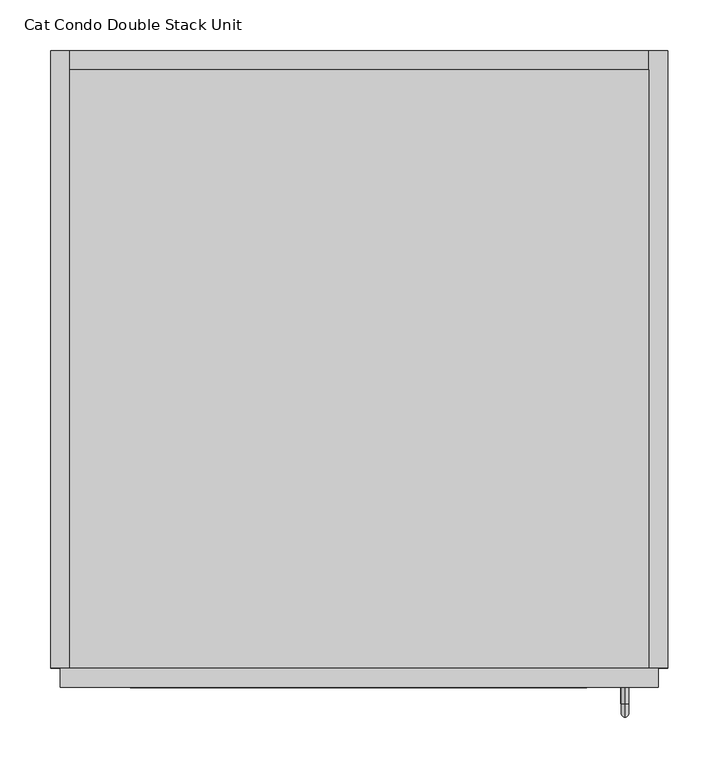
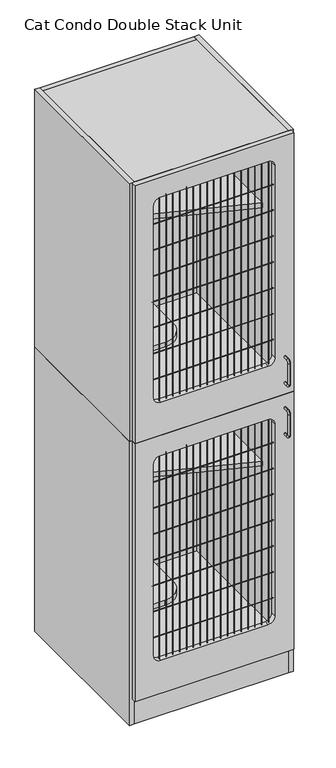
"""IFC4 building model written with IfcOpenShell, lengths in millimetres: proxy geometry, Cat Condo Double Stack Unit."""

from ifc_helpers import new_model, si_unit, point, frame, frame_2d, origin, origin_with_axes, place, context, project, spatial, polyline, circle_curve, ellipse_curve, trimmed, segment, composite_curve, outline, extrude, source, transform, mapped, element, save
from ifc_brep_helpers import plane_surface, cylinder_surface, revolved_surface, advanced_brep


def cat_condo_double_stack_unit_1d47b966(model_context):
    return source(origin(), model_context, "Body", "SolidModel", [
        advanced_brep(
        [(567.1128423, -19.05, 1056.5243154), (567.1128423, -19.05, 1064.3756846), (567.1128423, -35.2117768, 1064.3756846), (567.1128423, -35.2117768, 1056.5243154), (567.1128423, -35.2117768, 962.7756846), (567.1128423, -35.2117768, 954.9243154), (567.1128423, -19.05, 954.9243154), (567.1128423, -19.05, 962.7756846), (567.1128423, -48.3756846, 1051.2117768), (567.1128423, -40.5243154, 1051.2117768), (567.1128423, -40.5243154, 968.0882232), (567.1128423, -48.3756846, 968.0882232)],
        [
            (0, 1, circle_curve(frame((567.1128423, -19.05, 1060.45), z_axis=(0.0, 1.0, 0.0), x_axis=(0.0, 0.0, 1.0)), 3.9256846)),
            (1, 0, circle_curve(frame((567.1128423, -19.05, 1060.45), z_axis=(0.0, 1.0, 0.0), x_axis=(0.0, 0.0, 1.0)), 3.9256846)),
            (1, 2),
            (2, 3, circle_curve(frame((567.1128423, -35.2117768, 1060.45), z_axis=(0.0, 1.0, 0.0), x_axis=(0.0, 0.0, 1.0)), 3.9256846)),
            (3, 0),
            (4, 5, circle_curve(frame((567.1128423, -35.2117768, 958.85), z_axis=(0.0, 1.0, 0.0), x_axis=(0.0, 0.0, -1.0)), 3.9256846)),
            (5, 6),
            (6, 7, circle_curve(frame((567.1128423, -19.05, 958.85), z_axis=(0.0, -1.0, 0.0), x_axis=(0.0, 0.0, -1.0)), 3.9256846)),
            (7, 4),
            (3, 2, circle_curve(frame((567.1128423, -35.2117768, 1060.45), z_axis=(0.0, 1.0, 0.0), x_axis=(0.0, 0.0, 1.0)), 3.9256846)),
            (8, 2, circle_curve(frame((567.1128423, -35.2117768, 1051.2117768), z_axis=(-1.0, 0.0, 0.0), x_axis=(0.0, 0.0, 1.0)), 13.1639078)),
            (3, 9, circle_curve(frame((567.1128423, -35.2117768, 1051.2117768), z_axis=(1.0, 0.0, 0.0), x_axis=(0.0, 0.0, 1.0)), 5.3125387)),
            (9, 8, circle_curve(frame((567.1128423, -44.45, 1051.2117768), z_axis=(0.0, 0.0, 1.0), x_axis=(0.0, -1.0, 0.0)), 3.9256846)),
            (8, 9, circle_curve(frame((567.1128423, -44.45, 1051.2117768), z_axis=(0.0, 0.0, 1.0), x_axis=(0.0, -1.0, 0.0)), 3.9256846)),
            (9, 10),
            (10, 11, circle_curve(frame((567.1128423, -44.45, 968.0882232), z_axis=(0.0, 0.0, 1.0), x_axis=(0.0, -1.0, 0.0)), 3.9256846)),
            (11, 8),
            (11, 10, circle_curve(frame((567.1128423, -44.45, 968.0882232), z_axis=(0.0, 0.0, 1.0), x_axis=(0.0, -1.0, 0.0)), 3.9256846)),
            (5, 11, circle_curve(frame((567.1128423, -35.2117768, 968.0882232), z_axis=(-1.0, 0.0, 0.0), x_axis=(0.0, -1.0, 0.0)), 13.1639078)),
            (10, 4, circle_curve(frame((567.1128423, -35.2117768, 968.0882232), z_axis=(1.0, 0.0, 0.0), x_axis=(0.0, -1.0, 0.0)), 5.3125387)),
            (4, 5, circle_curve(frame((567.1128423, -35.2117768, 958.85), z_axis=(0.0, -1.0, 0.0), x_axis=(0.0, 0.0, -1.0)), 3.9256846)),
            (6, 7, circle_curve(frame((567.1128423, -19.05, 958.85), z_axis=(0.0, 1.0, 0.0), x_axis=(0.0, 0.0, -1.0)), 3.9256846)),
        ],
        [
            plane_surface(frame((567.1128423, -19.05, 1060.45), z_axis=(0.0, 1.0, 0.0), x_axis=(1.0, 0.0, 0.0))),
            cylinder_surface(frame((567.1128423, -19.05, 1060.45), z_axis=(0.0, 1.0, 0.0), x_axis=(0.0, 0.0, 1.0)), 3.9256846),
            cylinder_surface(frame((567.1128423, -35.2117768, 958.85), z_axis=(0.0, -1.0, 0.0), x_axis=(0.0, 0.0, -1.0)), 3.9256846),
            revolved_surface(trimmed(ellipse_curve(frame((567.1128423, -35.2117768, 1060.45), z_axis=(0.0, 1.0, 0.0), x_axis=(0.0, 0.0, 1.0)), 3.9256846, 3.9256846), [point((567.1128423, -35.2117768, 1056.5243154))], [point((567.1128423, -35.2117768, 1064.3756846))], True, "CARTESIAN"), (567.1128423, -35.2117768, 1051.2117768), (1.0, 0.0, 0.0)),
            revolved_surface(trimmed(ellipse_curve(frame((567.1128423, -35.2117768, 1060.45), z_axis=(0.0, 1.0, 0.0), x_axis=(0.0, 0.0, 1.0)), 3.9256846, 3.9256846), [point((567.1128423, -35.2117768, 1064.3756846))], [point((567.1128423, -35.2117768, 1056.5243154))], True, "CARTESIAN"), (567.1128423, -35.2117768, 1051.2117768), (1.0, 0.0, 0.0)),
            cylinder_surface(frame((567.1128423, -44.45, 1051.2117768), z_axis=(0.0, 0.0, 1.0), x_axis=(0.0, -1.0, 0.0)), 3.9256846),
            revolved_surface(trimmed(ellipse_curve(frame((567.1128423, -44.45, 968.0882232), z_axis=(0.0, 0.0, 1.0), x_axis=(0.0, -1.0, 0.0)), 3.9256846, 3.9256846), [point((567.1128423, -40.5243154, 968.0882232))], [point((567.1128423, -48.3756846, 968.0882232))], True, "CARTESIAN"), (567.1128423, -35.2117768, 968.0882232), (1.0, 0.0, 0.0)),
            revolved_surface(trimmed(ellipse_curve(frame((567.1128423, -44.45, 968.0882232), z_axis=(0.0, 0.0, 1.0), x_axis=(0.0, -1.0, 0.0)), 3.9256846, 3.9256846), [point((567.1128423, -48.3756846, 968.0882232))], [point((567.1128423, -40.5243154, 968.0882232))], True, "CARTESIAN"), (567.1128423, -35.2117768, 968.0882232), (1.0, 0.0, 0.0)),
            plane_surface(frame((567.1128423, -19.05, 958.85), z_axis=(0.0, 1.0, 0.0), x_axis=(1.0, 0.0, 0.0))),
        ],
        [
            (0, [[1, 2]]),
            (1, [[-2, 3, 4, 5]]),
            (2, [[6, 7, 8, 9]]),
            (1, [[-1, -5, 10, -3]]),
            (3, [[11, -10, 12, 13]]),
            (4, [[-12, -4, -11, 14]]),
            (5, [[-13, 15, 16, 17]]),
            (5, [[-14, -17, 18, -15]]),
            (6, [[19, -16, 20, 21]]),
            (7, [[-20, -18, -19, -6]]),
            (8, [[-8, 22]]),
            (2, [[-21, -9, -22, -7]]),
        ],
    ),
        extrude(outline(polyline([(590.55, 590.55), (590.55, 0.0), (19.05, 0.0), (19.05, 590.55), (590.55, 590.55)])), frame((0.0, 0.0, 1095.375), z_axis=(0.0, 0.0, 1.0), x_axis=(1.0, 0.0, 0.0)), (0.0, 0.0, 1.0), 19.05),
        extrude(outline(polyline([(590.55, 590.55), (590.55, 166.6410111), (19.05, 374.65), (19.05, 590.55), (590.55, 590.55)])), frame((0.0, 0.0, 711.2), z_axis=(0.0, 0.0, 1.0), x_axis=(1.0, 0.0, 0.0)), (0.0, 0.0, 1.0), 19.05),
        extrude(outline(composite_curve([segment(polyline([(222.25, 590.55), (222.25, 101.6)]), True, "CONTINUOUS"), segment(trimmed(circle_curve(frame_2d((146.05, 101.6)), 76.2), [point((222.25, 101.6))], [point((146.05, 25.4))], False, "CARTESIAN"), True, "CONTINUOUS"), segment(polyline([(146.05, 25.4), (19.05, 25.4), (19.05, 590.55), (222.25, 590.55)]), True, "CONTINUOUS")], self_intersect=False)), frame((0.0, 0.0, 406.4), z_axis=(0.0, 0.0, 1.0), x_axis=(1.0, 0.0, 0.0)), (0.0, 0.0, 1.0), 19.05),
        extrude(outline(polyline([(590.55, 0.0), (19.05, 0.0), (19.05, 590.55), (590.55, 590.55), (590.55, 0.0)])), frame((0.0, 0.0, 101.6), z_axis=(0.0, 0.0, 1.0), x_axis=(1.0, 0.0, 0.0)), (0.0, 0.0, 1.0), 19.05),
        extrude(outline(polyline([(590.55, 19.05), (590.55, 0.0), (19.05, 0.0), (19.05, 19.05), (590.55, 19.05)])), origin_with_axes(), (0.0, 0.0, 1.0), 101.6),
        extrude(outline(polyline([(590.55, 609.6), (609.6, 609.6), (609.6, 0.0), (590.55, 0.0), (590.55, 609.6)])), origin_with_axes(), (0.0, 0.0, 1.0), 1114.425),
        extrude(outline(polyline([(590.55, 609.6), (590.55, 590.55), (19.05, 590.55), (19.05, 609.6), (590.55, 609.6)])), origin_with_axes(), (0.0, 0.0, 1.0), 1114.425),
        extrude(outline(polyline([(19.05, 609.6), (19.05, 0.0), (0.0, 0.0), (0.0, 609.6), (19.05, 609.6)])), origin_with_axes(), (0.0, 0.0, 1.0), 1114.425),
        extrude(outline(composite_curve([segment(trimmed(circle_curve(frame_2d((-9.6602248, 931.8625)), 0.79375), [point((-9.6602248, 932.65625))], [point((-9.6602248, 931.06875))], False, "CARTESIAN"), True, "CONTINUOUS"), segment(trimmed(circle_curve(frame_2d((-9.6602248, 931.8625)), 0.79375), [point((-9.6602248, 931.06875))], [point((-9.6602248, 932.65625))], False, "CARTESIAN"), True, "CONTINUOUS")], self_intersect=False)), frame((78.58125, 0.0, 0.0), z_axis=(1.0, 0.0, 0.0), x_axis=(0.0, 1.0, 0.0)), (0.0, 0.0, 1.0), 450.85),
        extrude(outline(composite_curve([segment(trimmed(circle_curve(frame_2d((-9.6602248, 830.2625)), 0.79375), [point((-9.6602248, 831.05625))], [point((-9.6602248, 829.46875))], False, "CARTESIAN"), True, "CONTINUOUS"), segment(trimmed(circle_curve(frame_2d((-9.6602248, 830.2625)), 0.79375), [point((-9.6602248, 829.46875))], [point((-9.6602248, 831.05625))], False, "CARTESIAN"), True, "CONTINUOUS")], self_intersect=False)), frame((78.58125, 0.0, 0.0), z_axis=(1.0, 0.0, 0.0), x_axis=(0.0, 1.0, 0.0)), (0.0, 0.0, 1.0), 450.85),
        extrude(outline(composite_curve([segment(trimmed(circle_curve(frame_2d((-9.6602248, 728.6625)), 0.79375), [point((-9.6602248, 729.45625))], [point((-9.6602248, 727.86875))], False, "CARTESIAN"), True, "CONTINUOUS"), segment(trimmed(circle_curve(frame_2d((-9.6602248, 728.6625)), 0.79375), [point((-9.6602248, 727.86875))], [point((-9.6602248, 729.45625))], False, "CARTESIAN"), True, "CONTINUOUS")], self_intersect=False)), frame((78.58125, 0.0, 0.0), z_axis=(1.0, 0.0, 0.0), x_axis=(0.0, 1.0, 0.0)), (0.0, 0.0, 1.0), 450.85),
        extrude(outline(composite_curve([segment(trimmed(circle_curve(frame_2d((-9.6602248, 627.0625)), 0.79375), [point((-9.6602248, 627.85625))], [point((-9.6602248, 626.26875))], False, "CARTESIAN"), True, "CONTINUOUS"), segment(trimmed(circle_curve(frame_2d((-9.6602248, 627.0625)), 0.79375), [point((-9.6602248, 626.26875))], [point((-9.6602248, 627.85625))], False, "CARTESIAN"), True, "CONTINUOUS")], self_intersect=False)), frame((78.58125, 0.0, 0.0), z_axis=(1.0, 0.0, 0.0), x_axis=(0.0, 1.0, 0.0)), (0.0, 0.0, 1.0), 450.85),
        extrude(outline(composite_curve([segment(trimmed(circle_curve(frame_2d((-9.6602248, 525.4625)), 0.79375), [point((-9.6602248, 526.25625))], [point((-9.6602248, 524.66875))], False, "CARTESIAN"), True, "CONTINUOUS"), segment(trimmed(circle_curve(frame_2d((-9.6602248, 525.4625)), 0.79375), [point((-9.6602248, 524.66875))], [point((-9.6602248, 526.25625))], False, "CARTESIAN"), True, "CONTINUOUS")], self_intersect=False)), frame((78.58125, 0.0, 0.0), z_axis=(1.0, 0.0, 0.0), x_axis=(0.0, 1.0, 0.0)), (0.0, 0.0, 1.0), 450.85),
        extrude(outline(composite_curve([segment(trimmed(circle_curve(frame_2d((-9.6602248, 423.8625)), 0.79375), [point((-9.6602248, 424.65625))], [point((-9.6602248, 423.06875))], False, "CARTESIAN"), True, "CONTINUOUS"), segment(trimmed(circle_curve(frame_2d((-9.6602248, 423.8625)), 0.79375), [point((-9.6602248, 423.06875))], [point((-9.6602248, 424.65625))], False, "CARTESIAN"), True, "CONTINUOUS")], self_intersect=False)), frame((78.58125, 0.0, 0.0), z_axis=(1.0, 0.0, 0.0), x_axis=(0.0, 1.0, 0.0)), (0.0, 0.0, 1.0), 450.85),
        extrude(outline(composite_curve([segment(trimmed(circle_curve(frame_2d((-9.6602248, 322.2625)), 0.79375), [point((-9.6602248, 323.05625))], [point((-9.6602248, 321.46875))], False, "CARTESIAN"), True, "CONTINUOUS"), segment(trimmed(circle_curve(frame_2d((-9.6602248, 322.2625)), 0.79375), [point((-9.6602248, 321.46875))], [point((-9.6602248, 323.05625))], False, "CARTESIAN"), True, "CONTINUOUS")], self_intersect=False)), frame((78.58125, 0.0, 0.0), z_axis=(1.0, 0.0, 0.0), x_axis=(0.0, 1.0, 0.0)), (0.0, 0.0, 1.0), 450.85),
        extrude(outline(composite_curve([segment(trimmed(circle_curve(frame_2d((511.0919665, -9.6602248)), 0.79375), [point((510.2982165, -9.6602248))], [point((511.8857165, -9.6602248))], False, "CARTESIAN"), True, "CONTINUOUS"), segment(trimmed(circle_curve(frame_2d((511.0919665, -9.6602248)), 0.79375), [point((511.8857165, -9.6602248))], [point((510.2982165, -9.6602248))], False, "CARTESIAN"), True, "CONTINUOUS")], self_intersect=False)), frame((0.0, 0.0, 231.775), z_axis=(0.0, 0.0, 1.0), x_axis=(1.0, 0.0, 0.0)), (0.0, 0.0, 1.0), 803.275),
        extrude(outline(composite_curve([segment(trimmed(circle_curve(frame_2d((485.6919665, -9.6602248)), 0.79375), [point((484.8982165, -9.6602248))], [point((486.4857165, -9.6602248))], False, "CARTESIAN"), True, "CONTINUOUS"), segment(trimmed(circle_curve(frame_2d((485.6919665, -9.6602248)), 0.79375), [point((486.4857165, -9.6602248))], [point((484.8982165, -9.6602248))], False, "CARTESIAN"), True, "CONTINUOUS")], self_intersect=False)), frame((0.0, 0.0, 231.775), z_axis=(0.0, 0.0, 1.0), x_axis=(1.0, 0.0, 0.0)), (0.0, 0.0, 1.0), 803.275),
        extrude(outline(composite_curve([segment(trimmed(circle_curve(frame_2d((460.2919665, -9.6602248)), 0.79375), [point((459.4982165, -9.6602248))], [point((461.0857165, -9.6602248))], False, "CARTESIAN"), True, "CONTINUOUS"), segment(trimmed(circle_curve(frame_2d((460.2919665, -9.6602248)), 0.79375), [point((461.0857165, -9.6602248))], [point((459.4982165, -9.6602248))], False, "CARTESIAN"), True, "CONTINUOUS")], self_intersect=False)), frame((0.0, 0.0, 231.775), z_axis=(0.0, 0.0, 1.0), x_axis=(1.0, 0.0, 0.0)), (0.0, 0.0, 1.0), 803.275),
        extrude(outline(composite_curve([segment(trimmed(circle_curve(frame_2d((434.8919665, -9.6602248)), 0.79375), [point((434.0982165, -9.6602248))], [point((435.6857165, -9.6602248))], False, "CARTESIAN"), True, "CONTINUOUS"), segment(trimmed(circle_curve(frame_2d((434.8919665, -9.6602248)), 0.79375), [point((435.6857165, -9.6602248))], [point((434.0982165, -9.6602248))], False, "CARTESIAN"), True, "CONTINUOUS")], self_intersect=False)), frame((0.0, 0.0, 231.775), z_axis=(0.0, 0.0, 1.0), x_axis=(1.0, 0.0, 0.0)), (0.0, 0.0, 1.0), 803.275),
        extrude(outline(composite_curve([segment(trimmed(circle_curve(frame_2d((409.4919665, -9.6602248)), 0.79375), [point((408.6982165, -9.6602248))], [point((410.2857165, -9.6602248))], False, "CARTESIAN"), True, "CONTINUOUS"), segment(trimmed(circle_curve(frame_2d((409.4919665, -9.6602248)), 0.79375), [point((410.2857165, -9.6602248))], [point((408.6982165, -9.6602248))], False, "CARTESIAN"), True, "CONTINUOUS")], self_intersect=False)), frame((0.0, 0.0, 231.775), z_axis=(0.0, 0.0, 1.0), x_axis=(1.0, 0.0, 0.0)), (0.0, 0.0, 1.0), 803.275),
        extrude(outline(composite_curve([segment(trimmed(circle_curve(frame_2d((384.0919665, -9.6602248)), 0.79375), [point((383.2982165, -9.6602248))], [point((384.8857165, -9.6602248))], False, "CARTESIAN"), True, "CONTINUOUS"), segment(trimmed(circle_curve(frame_2d((384.0919665, -9.6602248)), 0.79375), [point((384.8857165, -9.6602248))], [point((383.2982165, -9.6602248))], False, "CARTESIAN"), True, "CONTINUOUS")], self_intersect=False)), frame((0.0, 0.0, 231.775), z_axis=(0.0, 0.0, 1.0), x_axis=(1.0, 0.0, 0.0)), (0.0, 0.0, 1.0), 803.275),
        extrude(outline(composite_curve([segment(trimmed(circle_curve(frame_2d((358.6919665, -9.6602248)), 0.79375), [point((357.8982165, -9.6602248))], [point((359.4857165, -9.6602248))], False, "CARTESIAN"), True, "CONTINUOUS"), segment(trimmed(circle_curve(frame_2d((358.6919665, -9.6602248)), 0.79375), [point((359.4857165, -9.6602248))], [point((357.8982165, -9.6602248))], False, "CARTESIAN"), True, "CONTINUOUS")], self_intersect=False)), frame((0.0, 0.0, 231.775), z_axis=(0.0, 0.0, 1.0), x_axis=(1.0, 0.0, 0.0)), (0.0, 0.0, 1.0), 803.275),
        extrude(outline(composite_curve([segment(trimmed(circle_curve(frame_2d((333.2919665, -9.6602248)), 0.79375), [point((332.4982165, -9.6602248))], [point((334.0857165, -9.6602248))], False, "CARTESIAN"), True, "CONTINUOUS"), segment(trimmed(circle_curve(frame_2d((333.2919665, -9.6602248)), 0.79375), [point((334.0857165, -9.6602248))], [point((332.4982165, -9.6602248))], False, "CARTESIAN"), True, "CONTINUOUS")], self_intersect=False)), frame((0.0, 0.0, 231.775), z_axis=(0.0, 0.0, 1.0), x_axis=(1.0, 0.0, 0.0)), (0.0, 0.0, 1.0), 803.275),
        extrude(outline(composite_curve([segment(trimmed(circle_curve(frame_2d((307.8919665, -9.6602248)), 0.79375), [point((307.0982165, -9.6602248))], [point((308.6857165, -9.6602248))], False, "CARTESIAN"), True, "CONTINUOUS"), segment(trimmed(circle_curve(frame_2d((307.8919665, -9.6602248)), 0.79375), [point((308.6857165, -9.6602248))], [point((307.0982165, -9.6602248))], False, "CARTESIAN"), True, "CONTINUOUS")], self_intersect=False)), frame((0.0, 0.0, 231.775), z_axis=(0.0, 0.0, 1.0), x_axis=(1.0, 0.0, 0.0)), (0.0, 0.0, 1.0), 803.275),
        extrude(outline(composite_curve([segment(trimmed(circle_curve(frame_2d((282.4919665, -9.6602248)), 0.79375), [point((281.6982165, -9.6602248))], [point((283.2857165, -9.6602248))], False, "CARTESIAN"), True, "CONTINUOUS"), segment(trimmed(circle_curve(frame_2d((282.4919665, -9.6602248)), 0.79375), [point((283.2857165, -9.6602248))], [point((281.6982165, -9.6602248))], False, "CARTESIAN"), True, "CONTINUOUS")], self_intersect=False)), frame((0.0, 0.0, 231.775), z_axis=(0.0, 0.0, 1.0), x_axis=(1.0, 0.0, 0.0)), (0.0, 0.0, 1.0), 803.275),
        extrude(outline(composite_curve([segment(trimmed(circle_curve(frame_2d((257.0919665, -9.6602248)), 0.79375), [point((256.2982165, -9.6602248))], [point((257.8857165, -9.6602248))], False, "CARTESIAN"), True, "CONTINUOUS"), segment(trimmed(circle_curve(frame_2d((257.0919665, -9.6602248)), 0.79375), [point((257.8857165, -9.6602248))], [point((256.2982165, -9.6602248))], False, "CARTESIAN"), True, "CONTINUOUS")], self_intersect=False)), frame((0.0, 0.0, 231.775), z_axis=(0.0, 0.0, 1.0), x_axis=(1.0, 0.0, 0.0)), (0.0, 0.0, 1.0), 803.275),
        extrude(outline(composite_curve([segment(trimmed(circle_curve(frame_2d((231.6919665, -9.6602248)), 0.79375), [point((230.8982165, -9.6602248))], [point((232.4857165, -9.6602248))], False, "CARTESIAN"), True, "CONTINUOUS"), segment(trimmed(circle_curve(frame_2d((231.6919665, -9.6602248)), 0.79375), [point((232.4857165, -9.6602248))], [point((230.8982165, -9.6602248))], False, "CARTESIAN"), True, "CONTINUOUS")], self_intersect=False)), frame((0.0, 0.0, 231.775), z_axis=(0.0, 0.0, 1.0), x_axis=(1.0, 0.0, 0.0)), (0.0, 0.0, 1.0), 803.275),
        extrude(outline(composite_curve([segment(trimmed(circle_curve(frame_2d((206.2919665, -9.6602248)), 0.79375), [point((205.4982165, -9.6602248))], [point((207.0857165, -9.6602248))], False, "CARTESIAN"), True, "CONTINUOUS"), segment(trimmed(circle_curve(frame_2d((206.2919665, -9.6602248)), 0.79375), [point((207.0857165, -9.6602248))], [point((205.4982165, -9.6602248))], False, "CARTESIAN"), True, "CONTINUOUS")], self_intersect=False)), frame((0.0, 0.0, 231.775), z_axis=(0.0, 0.0, 1.0), x_axis=(1.0, 0.0, 0.0)), (0.0, 0.0, 1.0), 803.275),
        extrude(outline(composite_curve([segment(trimmed(circle_curve(frame_2d((180.8919665, -9.6602248)), 0.79375), [point((180.0982165, -9.6602248))], [point((181.6857165, -9.6602248))], False, "CARTESIAN"), True, "CONTINUOUS"), segment(trimmed(circle_curve(frame_2d((180.8919665, -9.6602248)), 0.79375), [point((181.6857165, -9.6602248))], [point((180.0982165, -9.6602248))], False, "CARTESIAN"), True, "CONTINUOUS")], self_intersect=False)), frame((0.0, 0.0, 231.775), z_axis=(0.0, 0.0, 1.0), x_axis=(1.0, 0.0, 0.0)), (0.0, 0.0, 1.0), 803.275),
        extrude(outline(composite_curve([segment(trimmed(circle_curve(frame_2d((155.4919665, -9.6602248)), 0.79375), [point((154.6982165, -9.6602248))], [point((156.2857165, -9.6602248))], False, "CARTESIAN"), True, "CONTINUOUS"), segment(trimmed(circle_curve(frame_2d((155.4919665, -9.6602248)), 0.79375), [point((156.2857165, -9.6602248))], [point((154.6982165, -9.6602248))], False, "CARTESIAN"), True, "CONTINUOUS")], self_intersect=False)), frame((0.0, 0.0, 231.775), z_axis=(0.0, 0.0, 1.0), x_axis=(1.0, 0.0, 0.0)), (0.0, 0.0, 1.0), 803.275),
        extrude(outline(composite_curve([segment(trimmed(circle_curve(frame_2d((130.0919665, -9.6602248)), 0.79375), [point((129.2982165, -9.6602248))], [point((130.8857165, -9.6602248))], False, "CARTESIAN"), True, "CONTINUOUS"), segment(trimmed(circle_curve(frame_2d((130.0919665, -9.6602248)), 0.79375), [point((130.8857165, -9.6602248))], [point((129.2982165, -9.6602248))], False, "CARTESIAN"), True, "CONTINUOUS")], self_intersect=False)), frame((0.0, 0.0, 231.775), z_axis=(0.0, 0.0, 1.0), x_axis=(1.0, 0.0, 0.0)), (0.0, 0.0, 1.0), 803.275),
        extrude(outline(composite_curve([segment(trimmed(circle_curve(frame_2d((104.6919665, -9.6602248)), 0.79375), [point((103.8982165, -9.6602248))], [point((105.4857165, -9.6602248))], False, "CARTESIAN"), True, "CONTINUOUS"), segment(trimmed(circle_curve(frame_2d((104.6919665, -9.6602248)), 0.79375), [point((105.4857165, -9.6602248))], [point((103.8982165, -9.6602248))], False, "CARTESIAN"), True, "CONTINUOUS")], self_intersect=False)), frame((0.0, 0.0, 231.775), z_axis=(0.0, 0.0, 1.0), x_axis=(1.0, 0.0, 0.0)), (0.0, 0.0, 1.0), 803.275),
        extrude(outline(polyline([(1114.425, 600.075), (1114.425, 9.525), (101.6, 9.525), (101.6, 600.075), (1114.425, 600.075)]), holes=[composite_curve([segment(polyline([(1035.05, 103.98125), (1035.05, 504.03125)]), True, "CONTINUOUS"), segment(trimmed(circle_curve(frame_2d((1009.65, 504.03125)), 25.4), [point((1035.05, 504.03125))], [point((1009.65, 529.43125))], True, "CARTESIAN"), True, "CONTINUOUS"), segment(polyline([(1009.65, 529.43125), (257.175, 529.43125)]), True, "CONTINUOUS"), segment(trimmed(circle_curve(frame_2d((257.175, 504.03125)), 25.4), [point((257.175, 529.43125))], [point((231.775, 504.03125))], True, "CARTESIAN"), True, "CONTINUOUS"), segment(polyline([(231.775, 504.03125), (231.775, 103.98125)]), True, "CONTINUOUS"), segment(trimmed(circle_curve(frame_2d((257.175, 103.98125)), 25.4), [point((231.775, 103.98125))], [point((257.175, 78.58125))], True, "CARTESIAN"), True, "CONTINUOUS"), segment(polyline([(257.175, 78.58125), (1009.65, 78.58125)]), True, "CONTINUOUS"), segment(trimmed(circle_curve(frame_2d((1009.65, 103.98125)), 25.4), [point((1009.65, 78.58125))], [point((1035.05, 103.98125))], True, "CARTESIAN"), True, "CONTINUOUS")], self_intersect=False)]), frame((0.0, -19.05, 0.0), z_axis=(0.0, 1.0, 0.0), x_axis=(0.0, 0.0, 1.0)), (0.0, 0.0, 1.0), 19.05),
        advanced_brep(
        [(567.1128423, -19.05, 1256.5493154), (567.1128423, -19.05, 1264.4006846), (567.1128423, -35.2117768, 1256.5493154), (567.1128423, -35.2117768, 1264.4006846), (567.1128423, -48.3756846, 1251.2367768), (567.1128423, -40.5243154, 1251.2367768), (567.1128423, -40.5243154, 1168.1132232), (567.1128423, -48.3756846, 1168.1132232), (567.1128423, -35.2117768, 1154.9493154), (567.1128423, -35.2117768, 1162.8006846), (567.1128423, -19.05, 1162.8006846), (567.1128423, -19.05, 1154.9493154)],
        [
            (0, 1, circle_curve(frame((567.1128423, -19.05, 1260.475), z_axis=(0.0, 1.0, 0.0), x_axis=(0.0, 0.0, 1.0)), 3.9256846)),
            (1, 0, circle_curve(frame((567.1128423, -19.05, 1260.475), z_axis=(0.0, 1.0, 0.0), x_axis=(0.0, 0.0, 1.0)), 3.9256846)),
            (0, 2),
            (2, 3, circle_curve(frame((567.1128423, -35.2117768, 1260.475), z_axis=(0.0, 1.0, 0.0), x_axis=(0.0, 0.0, 1.0)), 3.9256846)),
            (3, 1),
            (3, 2, circle_curve(frame((567.1128423, -35.2117768, 1260.475), z_axis=(0.0, 1.0, 0.0), x_axis=(0.0, 0.0, 1.0)), 3.9256846)),
            (4, 3, circle_curve(frame((567.1128423, -35.2117768, 1251.2367768), z_axis=(-1.0, 0.0, 0.0), x_axis=(0.0, 0.0, 1.0)), 13.1639078)),
            (2, 5, circle_curve(frame((567.1128423, -35.2117768, 1251.2367768), z_axis=(1.0, 0.0, 0.0), x_axis=(0.0, 0.0, 1.0)), 5.3125387)),
            (5, 4, circle_curve(frame((567.1128423, -44.45, 1251.2367768), z_axis=(0.0, 0.0, 1.0), x_axis=(0.0, -1.0, 0.0)), 3.9256846)),
            (4, 5, circle_curve(frame((567.1128423, -44.45, 1251.2367768), z_axis=(0.0, 0.0, 1.0), x_axis=(0.0, -1.0, 0.0)), 3.9256846)),
            (5, 6),
            (6, 7, circle_curve(frame((567.1128423, -44.45, 1168.1132232), z_axis=(0.0, 0.0, 1.0), x_axis=(0.0, -1.0, 0.0)), 3.9256846)),
            (7, 4),
            (7, 6, circle_curve(frame((567.1128423, -44.45, 1168.1132232), z_axis=(0.0, 0.0, 1.0), x_axis=(0.0, -1.0, 0.0)), 3.9256846)),
            (8, 7, circle_curve(frame((567.1128423, -35.2117768, 1168.1132232), z_axis=(-1.0, 0.0, 0.0), x_axis=(0.0, -1.0, 0.0)), 13.1639078)),
            (6, 9, circle_curve(frame((567.1128423, -35.2117768, 1168.1132232), z_axis=(1.0, 0.0, 0.0), x_axis=(0.0, -1.0, 0.0)), 5.3125387)),
            (9, 8, circle_curve(frame((567.1128423, -35.2117768, 1158.875), z_axis=(0.0, -1.0, 0.0), x_axis=(0.0, 0.0, -1.0)), 3.9256846)),
            (8, 9, circle_curve(frame((567.1128423, -35.2117768, 1158.875), z_axis=(0.0, -1.0, 0.0), x_axis=(0.0, 0.0, -1.0)), 3.9256846)),
            (10, 11, circle_curve(frame((567.1128423, -19.05, 1158.875), z_axis=(0.0, 1.0, 0.0), x_axis=(0.0, 0.0, -1.0)), 3.9256846)),
            (11, 10, circle_curve(frame((567.1128423, -19.05, 1158.875), z_axis=(0.0, 1.0, 0.0), x_axis=(0.0, 0.0, -1.0)), 3.9256846)),
            (9, 10),
            (11, 8),
        ],
        [
            plane_surface(frame((567.1128423, -19.05, 1260.475), z_axis=(0.0, 1.0, 0.0), x_axis=(1.0, 0.0, 0.0))),
            cylinder_surface(frame((567.1128423, -19.05, 1260.475), z_axis=(0.0, 1.0, 0.0), x_axis=(0.0, 0.0, 1.0)), 3.9256846),
            revolved_surface(trimmed(ellipse_curve(frame((567.1128423, -35.2117768, 1260.475), z_axis=(0.0, 1.0, 0.0), x_axis=(0.0, 0.0, 1.0)), 3.9256846, 3.9256846), [point((567.1128423, -35.2117768, 1256.5493154))], [point((567.1128423, -35.2117768, 1264.4006846))], True, "CARTESIAN"), (567.1128423, -35.2117768, 1251.2367768), (1.0, 0.0, 0.0)),
            revolved_surface(trimmed(ellipse_curve(frame((567.1128423, -35.2117768, 1260.475), z_axis=(0.0, 1.0, 0.0), x_axis=(0.0, 0.0, 1.0)), 3.9256846, 3.9256846), [point((567.1128423, -35.2117768, 1264.4006846))], [point((567.1128423, -35.2117768, 1256.5493154))], True, "CARTESIAN"), (567.1128423, -35.2117768, 1251.2367768), (1.0, 0.0, 0.0)),
            cylinder_surface(frame((567.1128423, -44.45, 1251.2367768), z_axis=(0.0, 0.0, 1.0), x_axis=(0.0, -1.0, 0.0)), 3.9256846),
            revolved_surface(trimmed(ellipse_curve(frame((567.1128423, -44.45, 1168.1132232), z_axis=(0.0, 0.0, 1.0), x_axis=(0.0, -1.0, 0.0)), 3.9256846, 3.9256846), [point((567.1128423, -40.5243154, 1168.1132232))], [point((567.1128423, -48.3756846, 1168.1132232))], True, "CARTESIAN"), (567.1128423, -35.2117768, 1168.1132232), (1.0, 0.0, 0.0)),
            revolved_surface(trimmed(ellipse_curve(frame((567.1128423, -44.45, 1168.1132232), z_axis=(0.0, 0.0, 1.0), x_axis=(0.0, -1.0, 0.0)), 3.9256846, 3.9256846), [point((567.1128423, -48.3756846, 1168.1132232))], [point((567.1128423, -40.5243154, 1168.1132232))], True, "CARTESIAN"), (567.1128423, -35.2117768, 1168.1132232), (1.0, 0.0, 0.0)),
            plane_surface(frame((567.1128423, -19.05, 1158.875), z_axis=(0.0, 1.0, 0.0), x_axis=(1.0, 0.0, 0.0))),
            cylinder_surface(frame((567.1128423, -35.2117768, 1158.875), z_axis=(0.0, -1.0, 0.0), x_axis=(0.0, 0.0, -1.0)), 3.9256846),
        ],
        [
            (0, [[1, 2]]),
            (1, [[-1, 3, 4, 5]]),
            (1, [[-2, -5, 6, -3]]),
            (2, [[7, -4, 8, 9]]),
            (3, [[-8, -6, -7, 10]]),
            (4, [[-9, 11, 12, 13]]),
            (4, [[-10, -13, 14, -11]]),
            (5, [[15, -12, 16, 17]]),
            (6, [[-16, -14, -15, 18]]),
            (7, [[19, 20]]),
            (8, [[-17, 21, -20, 22]]),
            (8, [[-18, -22, -19, -21]]),
        ],
    ),
        extrude(outline(polyline([(590.55, 590.55), (590.55, 0.0), (19.05, 0.0), (19.05, 590.55), (590.55, 590.55)])), frame((0.0, 0.0, 2108.2), z_axis=(0.0, 0.0, 1.0), x_axis=(1.0, 0.0, 0.0)), (0.0, 0.0, 1.0), 19.05),
        extrude(outline(polyline([(590.55, 590.55), (590.55, 166.6410111), (19.05, 374.65), (19.05, 590.55), (590.55, 590.55)])), frame((0.0, 0.0, 1724.025), z_axis=(0.0, 0.0, 1.0), x_axis=(1.0, 0.0, 0.0)), (0.0, 0.0, 1.0), 19.05),
        extrude(outline(composite_curve([segment(polyline([(222.25, 590.55), (222.25, 101.6)]), True, "CONTINUOUS"), segment(trimmed(circle_curve(frame_2d((146.05, 101.6)), 76.2), [point((222.25, 101.6))], [point((146.05, 25.4))], False, "CARTESIAN"), True, "CONTINUOUS"), segment(polyline([(146.05, 25.4), (19.05, 25.4), (19.05, 590.55), (222.25, 590.55)]), True, "CONTINUOUS")], self_intersect=False)), frame((0.0, 0.0, 1419.225), z_axis=(0.0, 0.0, 1.0), x_axis=(1.0, 0.0, 0.0)), (0.0, 0.0, 1.0), 19.05),
        extrude(outline(polyline([(590.55, 0.0), (19.05, 0.0), (19.05, 590.55), (590.55, 590.55), (590.55, 0.0)])), frame((0.0, 0.0, 1114.425), z_axis=(0.0, 0.0, 1.0), x_axis=(1.0, 0.0, 0.0)), (0.0, 0.0, 1.0), 19.05),
        extrude(outline(polyline([(590.55, 609.6), (609.6, 609.6), (609.6, 0.0), (590.55, 0.0), (590.55, 609.6)])), frame((0.0, 0.0, 1114.425), z_axis=(0.0, 0.0, 1.0), x_axis=(1.0, 0.0, 0.0)), (0.0, 0.0, 1.0), 1012.825),
        extrude(outline(polyline([(590.55, 609.6), (590.55, 590.55), (19.05, 590.55), (19.05, 609.6), (590.55, 609.6)])), frame((0.0, 0.0, 1114.425), z_axis=(0.0, 0.0, 1.0), x_axis=(1.0, 0.0, 0.0)), (0.0, 0.0, 1.0), 1012.825),
        extrude(outline(polyline([(19.05, 609.6), (19.05, 0.0), (0.0, 0.0), (0.0, 609.6), (19.05, 609.6)])), frame((0.0, 0.0, 1114.425), z_axis=(0.0, 0.0, 1.0), x_axis=(1.0, 0.0, 0.0)), (0.0, 0.0, 1.0), 1012.825),
        extrude(outline(composite_curve([segment(trimmed(circle_curve(frame_2d((-9.6602248, 1944.6875)), 0.79375), [point((-9.6602248, 1945.48125))], [point((-9.6602248, 1943.89375))], False, "CARTESIAN"), True, "CONTINUOUS"), segment(trimmed(circle_curve(frame_2d((-9.6602248, 1944.6875)), 0.79375), [point((-9.6602248, 1943.89375))], [point((-9.6602248, 1945.48125))], False, "CARTESIAN"), True, "CONTINUOUS")], self_intersect=False)), frame((78.58125, 0.0, 0.0), z_axis=(1.0, 0.0, 0.0), x_axis=(0.0, 1.0, 0.0)), (0.0, 0.0, 1.0), 450.85),
        extrude(outline(composite_curve([segment(trimmed(circle_curve(frame_2d((-9.6602248, 1843.0875)), 0.79375), [point((-9.6602248, 1843.88125))], [point((-9.6602248, 1842.29375))], False, "CARTESIAN"), True, "CONTINUOUS"), segment(trimmed(circle_curve(frame_2d((-9.6602248, 1843.0875)), 0.79375), [point((-9.6602248, 1842.29375))], [point((-9.6602248, 1843.88125))], False, "CARTESIAN"), True, "CONTINUOUS")], self_intersect=False)), frame((78.58125, 0.0, 0.0), z_axis=(1.0, 0.0, 0.0), x_axis=(0.0, 1.0, 0.0)), (0.0, 0.0, 1.0), 450.85),
        extrude(outline(composite_curve([segment(trimmed(circle_curve(frame_2d((-9.6602248, 1741.4875)), 0.79375), [point((-9.6602248, 1742.28125))], [point((-9.6602248, 1740.69375))], False, "CARTESIAN"), True, "CONTINUOUS"), segment(trimmed(circle_curve(frame_2d((-9.6602248, 1741.4875)), 0.79375), [point((-9.6602248, 1740.69375))], [point((-9.6602248, 1742.28125))], False, "CARTESIAN"), True, "CONTINUOUS")], self_intersect=False)), frame((78.58125, 0.0, 0.0), z_axis=(1.0, 0.0, 0.0), x_axis=(0.0, 1.0, 0.0)), (0.0, 0.0, 1.0), 450.85),
        extrude(outline(composite_curve([segment(trimmed(circle_curve(frame_2d((-9.6602248, 1639.8875)), 0.79375), [point((-9.6602248, 1640.68125))], [point((-9.6602248, 1639.09375))], False, "CARTESIAN"), True, "CONTINUOUS"), segment(trimmed(circle_curve(frame_2d((-9.6602248, 1639.8875)), 0.79375), [point((-9.6602248, 1639.09375))], [point((-9.6602248, 1640.68125))], False, "CARTESIAN"), True, "CONTINUOUS")], self_intersect=False)), frame((78.58125, 0.0, 0.0), z_axis=(1.0, 0.0, 0.0), x_axis=(0.0, 1.0, 0.0)), (0.0, 0.0, 1.0), 450.85),
        extrude(outline(composite_curve([segment(trimmed(circle_curve(frame_2d((-9.6602248, 1538.2875)), 0.79375), [point((-9.6602248, 1539.08125))], [point((-9.6602248, 1537.49375))], False, "CARTESIAN"), True, "CONTINUOUS"), segment(trimmed(circle_curve(frame_2d((-9.6602248, 1538.2875)), 0.79375), [point((-9.6602248, 1537.49375))], [point((-9.6602248, 1539.08125))], False, "CARTESIAN"), True, "CONTINUOUS")], self_intersect=False)), frame((78.58125, 0.0, 0.0), z_axis=(1.0, 0.0, 0.0), x_axis=(0.0, 1.0, 0.0)), (0.0, 0.0, 1.0), 450.85),
        extrude(outline(composite_curve([segment(trimmed(circle_curve(frame_2d((-9.6602248, 1436.6875)), 0.79375), [point((-9.6602248, 1437.48125))], [point((-9.6602248, 1435.89375))], False, "CARTESIAN"), True, "CONTINUOUS"), segment(trimmed(circle_curve(frame_2d((-9.6602248, 1436.6875)), 0.79375), [point((-9.6602248, 1435.89375))], [point((-9.6602248, 1437.48125))], False, "CARTESIAN"), True, "CONTINUOUS")], self_intersect=False)), frame((78.58125, 0.0, 0.0), z_axis=(1.0, 0.0, 0.0), x_axis=(0.0, 1.0, 0.0)), (0.0, 0.0, 1.0), 450.85),
        extrude(outline(composite_curve([segment(trimmed(circle_curve(frame_2d((-9.6602248, 1335.0875)), 0.79375), [point((-9.6602248, 1335.88125))], [point((-9.6602248, 1334.29375))], False, "CARTESIAN"), True, "CONTINUOUS"), segment(trimmed(circle_curve(frame_2d((-9.6602248, 1335.0875)), 0.79375), [point((-9.6602248, 1334.29375))], [point((-9.6602248, 1335.88125))], False, "CARTESIAN"), True, "CONTINUOUS")], self_intersect=False)), frame((78.58125, 0.0, 0.0), z_axis=(1.0, 0.0, 0.0), x_axis=(0.0, 1.0, 0.0)), (0.0, 0.0, 1.0), 450.85),
        extrude(outline(composite_curve([segment(trimmed(circle_curve(frame_2d((511.0919665, -9.6602248)), 0.79375), [point((510.2982165, -9.6602248))], [point((511.8857165, -9.6602248))], False, "CARTESIAN"), True, "CONTINUOUS"), segment(trimmed(circle_curve(frame_2d((511.0919665, -9.6602248)), 0.79375), [point((511.8857165, -9.6602248))], [point((510.2982165, -9.6602248))], False, "CARTESIAN"), True, "CONTINUOUS")], self_intersect=False)), frame((0.0, 0.0, 1244.6), z_axis=(0.0, 0.0, 1.0), x_axis=(1.0, 0.0, 0.0)), (0.0, 0.0, 1.0), 803.275),
        extrude(outline(composite_curve([segment(trimmed(circle_curve(frame_2d((485.6919665, -9.6602248)), 0.79375), [point((484.8982165, -9.6602248))], [point((486.4857165, -9.6602248))], False, "CARTESIAN"), True, "CONTINUOUS"), segment(trimmed(circle_curve(frame_2d((485.6919665, -9.6602248)), 0.79375), [point((486.4857165, -9.6602248))], [point((484.8982165, -9.6602248))], False, "CARTESIAN"), True, "CONTINUOUS")], self_intersect=False)), frame((0.0, 0.0, 1244.6), z_axis=(0.0, 0.0, 1.0), x_axis=(1.0, 0.0, 0.0)), (0.0, 0.0, 1.0), 803.275),
        extrude(outline(composite_curve([segment(trimmed(circle_curve(frame_2d((460.2919665, -9.6602248)), 0.79375), [point((459.4982165, -9.6602248))], [point((461.0857165, -9.6602248))], False, "CARTESIAN"), True, "CONTINUOUS"), segment(trimmed(circle_curve(frame_2d((460.2919665, -9.6602248)), 0.79375), [point((461.0857165, -9.6602248))], [point((459.4982165, -9.6602248))], False, "CARTESIAN"), True, "CONTINUOUS")], self_intersect=False)), frame((0.0, 0.0, 1244.6), z_axis=(0.0, 0.0, 1.0), x_axis=(1.0, 0.0, 0.0)), (0.0, 0.0, 1.0), 803.275),
        extrude(outline(composite_curve([segment(trimmed(circle_curve(frame_2d((434.8919665, -9.6602248)), 0.79375), [point((434.0982165, -9.6602248))], [point((435.6857165, -9.6602248))], False, "CARTESIAN"), True, "CONTINUOUS"), segment(trimmed(circle_curve(frame_2d((434.8919665, -9.6602248)), 0.79375), [point((435.6857165, -9.6602248))], [point((434.0982165, -9.6602248))], False, "CARTESIAN"), True, "CONTINUOUS")], self_intersect=False)), frame((0.0, 0.0, 1244.6), z_axis=(0.0, 0.0, 1.0), x_axis=(1.0, 0.0, 0.0)), (0.0, 0.0, 1.0), 803.275),
        extrude(outline(composite_curve([segment(trimmed(circle_curve(frame_2d((409.4919665, -9.6602248)), 0.79375), [point((408.6982165, -9.6602248))], [point((410.2857165, -9.6602248))], False, "CARTESIAN"), True, "CONTINUOUS"), segment(trimmed(circle_curve(frame_2d((409.4919665, -9.6602248)), 0.79375), [point((410.2857165, -9.6602248))], [point((408.6982165, -9.6602248))], False, "CARTESIAN"), True, "CONTINUOUS")], self_intersect=False)), frame((0.0, 0.0, 1244.6), z_axis=(0.0, 0.0, 1.0), x_axis=(1.0, 0.0, 0.0)), (0.0, 0.0, 1.0), 803.275),
        extrude(outline(composite_curve([segment(trimmed(circle_curve(frame_2d((384.0919665, -9.6602248)), 0.79375), [point((383.2982165, -9.6602248))], [point((384.8857165, -9.6602248))], False, "CARTESIAN"), True, "CONTINUOUS"), segment(trimmed(circle_curve(frame_2d((384.0919665, -9.6602248)), 0.79375), [point((384.8857165, -9.6602248))], [point((383.2982165, -9.6602248))], False, "CARTESIAN"), True, "CONTINUOUS")], self_intersect=False)), frame((0.0, 0.0, 1244.6), z_axis=(0.0, 0.0, 1.0), x_axis=(1.0, 0.0, 0.0)), (0.0, 0.0, 1.0), 803.275),
        extrude(outline(composite_curve([segment(trimmed(circle_curve(frame_2d((358.6919665, -9.6602248)), 0.79375), [point((357.8982165, -9.6602248))], [point((359.4857165, -9.6602248))], False, "CARTESIAN"), True, "CONTINUOUS"), segment(trimmed(circle_curve(frame_2d((358.6919665, -9.6602248)), 0.79375), [point((359.4857165, -9.6602248))], [point((357.8982165, -9.6602248))], False, "CARTESIAN"), True, "CONTINUOUS")], self_intersect=False)), frame((0.0, 0.0, 1244.6), z_axis=(0.0, 0.0, 1.0), x_axis=(1.0, 0.0, 0.0)), (0.0, 0.0, 1.0), 803.275),
        extrude(outline(composite_curve([segment(trimmed(circle_curve(frame_2d((333.2919665, -9.6602248)), 0.79375), [point((332.4982165, -9.6602248))], [point((334.0857165, -9.6602248))], False, "CARTESIAN"), True, "CONTINUOUS"), segment(trimmed(circle_curve(frame_2d((333.2919665, -9.6602248)), 0.79375), [point((334.0857165, -9.6602248))], [point((332.4982165, -9.6602248))], False, "CARTESIAN"), True, "CONTINUOUS")], self_intersect=False)), frame((0.0, 0.0, 1244.6), z_axis=(0.0, 0.0, 1.0), x_axis=(1.0, 0.0, 0.0)), (0.0, 0.0, 1.0), 803.275),
        extrude(outline(composite_curve([segment(trimmed(circle_curve(frame_2d((307.8919665, -9.6602248)), 0.79375), [point((307.0982165, -9.6602248))], [point((308.6857165, -9.6602248))], False, "CARTESIAN"), True, "CONTINUOUS"), segment(trimmed(circle_curve(frame_2d((307.8919665, -9.6602248)), 0.79375), [point((308.6857165, -9.6602248))], [point((307.0982165, -9.6602248))], False, "CARTESIAN"), True, "CONTINUOUS")], self_intersect=False)), frame((0.0, 0.0, 1244.6), z_axis=(0.0, 0.0, 1.0), x_axis=(1.0, 0.0, 0.0)), (0.0, 0.0, 1.0), 803.275),
        extrude(outline(composite_curve([segment(trimmed(circle_curve(frame_2d((282.4919665, -9.6602248)), 0.79375), [point((281.6982165, -9.6602248))], [point((283.2857165, -9.6602248))], False, "CARTESIAN"), True, "CONTINUOUS"), segment(trimmed(circle_curve(frame_2d((282.4919665, -9.6602248)), 0.79375), [point((283.2857165, -9.6602248))], [point((281.6982165, -9.6602248))], False, "CARTESIAN"), True, "CONTINUOUS")], self_intersect=False)), frame((0.0, 0.0, 1244.6), z_axis=(0.0, 0.0, 1.0), x_axis=(1.0, 0.0, 0.0)), (0.0, 0.0, 1.0), 803.275),
        extrude(outline(composite_curve([segment(trimmed(circle_curve(frame_2d((257.0919665, -9.6602248)), 0.79375), [point((256.2982165, -9.6602248))], [point((257.8857165, -9.6602248))], False, "CARTESIAN"), True, "CONTINUOUS"), segment(trimmed(circle_curve(frame_2d((257.0919665, -9.6602248)), 0.79375), [point((257.8857165, -9.6602248))], [point((256.2982165, -9.6602248))], False, "CARTESIAN"), True, "CONTINUOUS")], self_intersect=False)), frame((0.0, 0.0, 1244.6), z_axis=(0.0, 0.0, 1.0), x_axis=(1.0, 0.0, 0.0)), (0.0, 0.0, 1.0), 803.275),
        extrude(outline(composite_curve([segment(trimmed(circle_curve(frame_2d((231.6919665, -9.6602248)), 0.79375), [point((230.8982165, -9.6602248))], [point((232.4857165, -9.6602248))], False, "CARTESIAN"), True, "CONTINUOUS"), segment(trimmed(circle_curve(frame_2d((231.6919665, -9.6602248)), 0.79375), [point((232.4857165, -9.6602248))], [point((230.8982165, -9.6602248))], False, "CARTESIAN"), True, "CONTINUOUS")], self_intersect=False)), frame((0.0, 0.0, 1244.6), z_axis=(0.0, 0.0, 1.0), x_axis=(1.0, 0.0, 0.0)), (0.0, 0.0, 1.0), 803.275),
        extrude(outline(composite_curve([segment(trimmed(circle_curve(frame_2d((206.2919665, -9.6602248)), 0.79375), [point((205.4982165, -9.6602248))], [point((207.0857165, -9.6602248))], False, "CARTESIAN"), True, "CONTINUOUS"), segment(trimmed(circle_curve(frame_2d((206.2919665, -9.6602248)), 0.79375), [point((207.0857165, -9.6602248))], [point((205.4982165, -9.6602248))], False, "CARTESIAN"), True, "CONTINUOUS")], self_intersect=False)), frame((0.0, 0.0, 1244.6), z_axis=(0.0, 0.0, 1.0), x_axis=(1.0, 0.0, 0.0)), (0.0, 0.0, 1.0), 803.275),
        extrude(outline(composite_curve([segment(trimmed(circle_curve(frame_2d((180.8919665, -9.6602248)), 0.79375), [point((180.0982165, -9.6602248))], [point((181.6857165, -9.6602248))], False, "CARTESIAN"), True, "CONTINUOUS"), segment(trimmed(circle_curve(frame_2d((180.8919665, -9.6602248)), 0.79375), [point((181.6857165, -9.6602248))], [point((180.0982165, -9.6602248))], False, "CARTESIAN"), True, "CONTINUOUS")], self_intersect=False)), frame((0.0, 0.0, 1244.6), z_axis=(0.0, 0.0, 1.0), x_axis=(1.0, 0.0, 0.0)), (0.0, 0.0, 1.0), 803.275),
        extrude(outline(composite_curve([segment(trimmed(circle_curve(frame_2d((155.4919665, -9.6602248)), 0.79375), [point((154.6982165, -9.6602248))], [point((156.2857165, -9.6602248))], False, "CARTESIAN"), True, "CONTINUOUS"), segment(trimmed(circle_curve(frame_2d((155.4919665, -9.6602248)), 0.79375), [point((156.2857165, -9.6602248))], [point((154.6982165, -9.6602248))], False, "CARTESIAN"), True, "CONTINUOUS")], self_intersect=False)), frame((0.0, 0.0, 1244.6), z_axis=(0.0, 0.0, 1.0), x_axis=(1.0, 0.0, 0.0)), (0.0, 0.0, 1.0), 803.275),
        extrude(outline(composite_curve([segment(trimmed(circle_curve(frame_2d((130.0919665, -9.6602248)), 0.79375), [point((129.2982165, -9.6602248))], [point((130.8857165, -9.6602248))], False, "CARTESIAN"), True, "CONTINUOUS"), segment(trimmed(circle_curve(frame_2d((130.0919665, -9.6602248)), 0.79375), [point((130.8857165, -9.6602248))], [point((129.2982165, -9.6602248))], False, "CARTESIAN"), True, "CONTINUOUS")], self_intersect=False)), frame((0.0, 0.0, 1244.6), z_axis=(0.0, 0.0, 1.0), x_axis=(1.0, 0.0, 0.0)), (0.0, 0.0, 1.0), 803.275),
        extrude(outline(composite_curve([segment(trimmed(circle_curve(frame_2d((104.6919665, -9.6602248)), 0.79375), [point((103.8982165, -9.6602248))], [point((105.4857165, -9.6602248))], False, "CARTESIAN"), True, "CONTINUOUS"), segment(trimmed(circle_curve(frame_2d((104.6919665, -9.6602248)), 0.79375), [point((105.4857165, -9.6602248))], [point((103.8982165, -9.6602248))], False, "CARTESIAN"), True, "CONTINUOUS")], self_intersect=False)), frame((0.0, 0.0, 1244.6), z_axis=(0.0, 0.0, 1.0), x_axis=(1.0, 0.0, 0.0)), (0.0, 0.0, 1.0), 803.275),
        extrude(outline(polyline([(2127.25, 600.075), (2127.25, 9.525), (1114.425, 9.525), (1114.425, 600.075), (2127.25, 600.075)]), holes=[composite_curve([segment(polyline([(2047.875, 103.98125), (2047.875, 504.03125)]), True, "CONTINUOUS"), segment(trimmed(circle_curve(frame_2d((2022.475, 504.03125)), 25.4), [point((2047.875, 504.03125))], [point((2022.475, 529.43125))], True, "CARTESIAN"), True, "CONTINUOUS"), segment(polyline([(2022.475, 529.43125), (1270.0, 529.43125)]), True, "CONTINUOUS"), segment(trimmed(circle_curve(frame_2d((1270.0, 504.03125)), 25.4), [point((1270.0, 529.43125))], [point((1244.6, 504.03125))], True, "CARTESIAN"), True, "CONTINUOUS"), segment(polyline([(1244.6, 504.03125), (1244.6, 103.98125)]), True, "CONTINUOUS"), segment(trimmed(circle_curve(frame_2d((1270.0, 103.98125)), 25.4), [point((1244.6, 103.98125))], [point((1270.0, 78.58125))], True, "CARTESIAN"), True, "CONTINUOUS"), segment(polyline([(1270.0, 78.58125), (2022.475, 78.58125)]), True, "CONTINUOUS"), segment(trimmed(circle_curve(frame_2d((2022.475, 103.98125)), 25.4), [point((2022.475, 78.58125))], [point((2047.875, 103.98125))], True, "CARTESIAN"), True, "CONTINUOUS")], self_intersect=False)]), frame((0.0, -19.05, 0.0), z_axis=(0.0, 1.0, 0.0), x_axis=(0.0, 0.0, 1.0)), (0.0, 0.0, 1.0), 19.05),
    ])


if __name__ == "__main__":
    model = new_model("IFC4")
    model_context = context("Model", 3, world=origin())
    ifc_project = project(units=[si_unit("LENGTHUNIT", "METRE", prefix="MILLI")], contexts=[model_context])
    site = spatial("IfcSite", under=ifc_project)
    building = spatial("IfcBuilding", under=site)
    placement = place(None, origin())
    cat_condo_double_stack_unit_shape = cat_condo_double_stack_unit_1d47b966(model_context)
    element("IfcBuildingElementProxy", 1, Name="Cat Condo Double Stack Unit", ObjectType="Cat Condo Double Stack Unit", at=placement, inside=building, context=model_context, shape_type="MappedRepresentation", body=[
        mapped(cat_condo_double_stack_unit_shape, transform((0.0, 0.0, 0.0), x_axis=(1.0, 0.0, 0.0), y_axis=(0.0, 1.0, 0.0), z_axis=(0.0, 0.0, 1.0))),
    ])
    save(model, "model.ifc")
